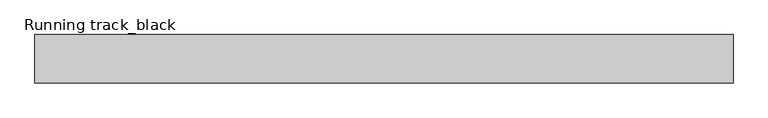
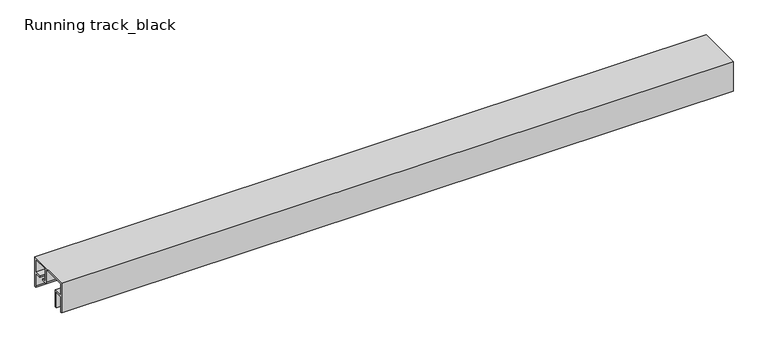
"""IFC4 building model written with IfcOpenShell, lengths in millimetres: proxy geometry, Running track_black."""

from ifc_helpers import new_model, si_unit, frame, origin, place, context, project, spatial, polyline, outline, extrude, source, transform, mapped, element, save


def running_track_black_db773e2b(model_context):
    return source(origin(), model_context, "Body", "SweptSolid", [
        extrude(outline(polyline([(52.15, 1236.0), (52.15, 1202.75), (44.8, 1202.75), (44.8, 1195.05), (32.0, 1195.05), (32.0, 1236.0), (52.15, 1236.0)])), frame((0.0, 9.5, 0.0), z_axis=(0.0, 1.0, 0.0), x_axis=(0.0, 0.0, 1.0)), (0.0, 0.0, 1.0), 29.0),
        extrude(outline(polyline([(1236.0, 36.5), (1236.0, 11.468441), (1195.05, 11.468441), (1195.05, 36.5), (1236.0, 36.5)])), frame((0.0, 0.0, 30.0), z_axis=(0.0, 0.0, 1.0), x_axis=(1.0, 0.0, 0.0)), (0.0, 0.0, 1.0), 2.0),
        extrude(outline(polyline([(53.96253, 1187.677645), (52.15, 1178.1605826), (53.96253, 1164.7314459), (51.9443954, 1164.7314459), (50.124477, 1178.2153231), (52.15, 1188.8507489), (52.15, 1236.0), (53.96253, 1236.0), (53.96253, 1187.677645)])), frame((0.0, 11.468441, 0.0), z_axis=(0.0, 1.0, 0.0), x_axis=(0.0, 0.0, 1.0)), (0.0, 0.0, 1.0), 25.031559),
        extrude(outline(polyline([(42.0, 58.0), (42.0, 0.0), (39.0, 0.0), (39.0, 3.0), (39.0, 27.0), (27.2, 27.0), (27.2, 30.0), (39.0, 30.0), (39.0, 55.0), (9.0, 55.0), (9.0, 30.0), (17.1, 30.0), (17.1, 27.0), (6.0, 27.0), (6.0, 30.0), (6.0, 55.0), (-41.0, 55.0), (-41.0, 33.0), (-24.0, 33.0), (-24.0, 0.0), (-27.0, 0.0), (-27.0, 30.0), (-41.0, 30.0), (-41.0, 0.0), (-44.0, 0.0), (-44.0, 58.0), (42.0, 58.0)])), frame((0.0, 0.0, 0.0), z_axis=(1.0, 0.0, 0.0), x_axis=(0.0, 1.0, 0.0)), (0.0, 0.0, 1.0), 1245.0),
    ])


if __name__ == "__main__":
    model = new_model("IFC4")
    model_context = context("Model", 3, world=origin())
    ifc_project = project(units=[si_unit("LENGTHUNIT", "METRE", prefix="MILLI")], contexts=[model_context])
    site = spatial("IfcSite", under=ifc_project)
    building = spatial("IfcBuilding", under=site)
    placement = place(None, origin())
    running_track_black_shape = running_track_black_db773e2b(model_context)
    element("IfcBuildingElementProxy", 1, Name="Running track_black", ObjectType="Running track_black", at=placement, inside=building, context=model_context, shape_type="MappedRepresentation", body=[
        mapped(running_track_black_shape, transform((0.0, 0.0, 0.0), x_axis=(1.0, 0.0, 0.0), y_axis=(0.0, 1.0, 0.0), z_axis=(0.0, 0.0, 1.0))),
    ])
    save(model, "model.ifc")
